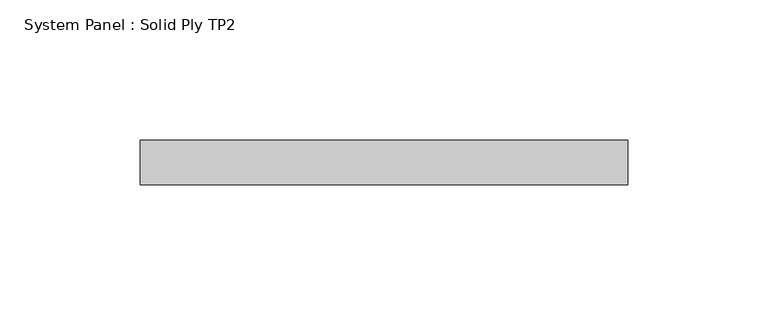
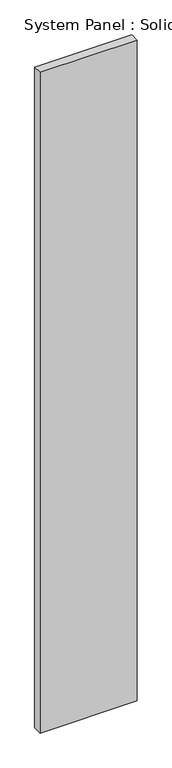
"""IFC4 building model written with IfcOpenShell, lengths in millimetres: plate geometry, System Panel : Solid Ply TP2."""

import ifcopenshell
import ifcopenshell.guid

model = None  # the IFC model being written
_history = None  # IfcOwnerHistory: only IFC2X3 demands one
_inside = {}  # id of a spatial element -> (the spatial element, [elements in it])
_under = {}  # id of a project, library or spatial element -> (it, [spatial elements below it])
_declared = {}  # id of a project -> (the project, [libraries it declares])
_typed = {}  # id of a type object -> (the type object, [elements of that type])
_made_of = {}  # id of a material, layer set ... -> (it, [elements and type objects made of it])


def new_model(schema):
    """Start an empty IFC model of exactly this schema.

    Asked for "IFC4X3", IfcOpenShell would pick the latest addendum, in which some entities
    have other attributes; the version numbers below select the first issue.
    IFC2X3 requires an IfcOwnerHistory on every rooted entity: one is made here for all.
    """
    global model, _history
    if schema == "IFC4X3":
        model = ifcopenshell.file(schema_version=(4, 3, 0, 0))
    else:
        model = ifcopenshell.file(schema=schema)
    _inside.clear()
    _under.clear()
    _declared.clear()
    _typed.clear()
    _made_of.clear()
    _history = None
    if model.schema == "IFC2X3":
        org = make("IfcOrganization", Name="unknown")
        user = make(
            "IfcPersonAndOrganization",
            ThePerson=make("IfcPerson", FamilyName="unknown"),
            TheOrganization=org,
        )
        app = make(
            "IfcApplication",
            ApplicationDeveloper=org,
            Version="unknown",
            ApplicationFullName="unknown",
            ApplicationIdentifier="unknown",
        )
        _history = make(
            "IfcOwnerHistory",
            OwningUser=user,
            OwningApplication=app,
            ChangeAction="ADDED",
            CreationDate=0,
        )
    return model


def make(cls, **values):
    """One entity of the class cls with the attributes given. An attribute that is None is left unset."""
    return model.create_entity(
        cls, **{name: value for name, value in values.items() if value is not None}
    )


def rooted(cls, **values):
    """An entity with a GlobalId (a new one), such as an element, a storey or a relation."""
    return make(cls, GlobalId=ifcopenshell.guid.new(), OwnerHistory=_history, **values)


def si_unit(unit_type, name, prefix=None):
    """IfcSIUnit, for example si_unit("LENGTHUNIT", "METRE", prefix="MILLI")."""
    return make("IfcSIUnit", UnitType=unit_type, Prefix=prefix, Name=name)


def assignment(units):
    """IfcUnitAssignment: the units of a project."""
    return None if units is None else make("IfcUnitAssignment", Units=units)


def point(xyz):
    """IfcCartesianPoint."""
    return None if xyz is None else make("IfcCartesianPoint", Coordinates=xyz)


def direction(xyz):
    """IfcDirection."""
    return None if xyz is None else make("IfcDirection", DirectionRatios=xyz)


def frame(location, z_axis=None, x_axis=None):
    """IfcAxis2Placement3D, a coordinate frame: its origin and axes. An axis left out is left unset."""
    return make(
        "IfcAxis2Placement3D",
        Location=point(location),
        Axis=direction(z_axis),
        RefDirection=direction(x_axis),
    )


def origin():
    """The frame at (0, 0, 0) with its axes left unset."""
    return frame((0.0, 0.0, 0.0))


def origin_with_axes():
    """The frame at (0, 0, 0) with the z axis (0, 0, 1) and the x axis (1, 0, 0) written out."""
    return frame((0.0, 0.0, 0.0), z_axis=(0.0, 0.0, 1.0), x_axis=(1.0, 0.0, 0.0))


def place(relative_to, where):
    """IfcLocalPlacement: puts the frame where relative to a parent placement (None: the world)."""
    return make(
        "IfcLocalPlacement", PlacementRelTo=relative_to, RelativePlacement=where
    )


def context(
    kind, dimensions, precision=None, world=None, true_north=None, identifier=None
):
    """IfcGeometricRepresentationContext, for example the 3D "Model" context."""
    return make(
        "IfcGeometricRepresentationContext",
        ContextIdentifier=identifier,
        ContextType=kind,
        CoordinateSpaceDimension=dimensions,
        Precision=precision,
        WorldCoordinateSystem=world,
        TrueNorth=true_north,
    )


def project(units=None, contexts=None):
    """IfcProject with its units and contexts."""
    return rooted(
        "IfcProject",
        Name="project",
        RepresentationContexts=contexts,
        UnitsInContext=assignment(units),
    )


def spatial(cls, under=None, at=None, **own):
    """A site, building, storey or space (cls), placed at a placement, below another one or the project."""
    s = rooted(cls, ObjectPlacement=at, **own)
    if under is not None:
        _under.setdefault(under.id(), (under, []))[1].append(s)
    return s


def polyline(points):
    """IfcPolyline through the points."""
    return make("IfcPolyline", Points=[point(p) for p in points])


def outline(outer, holes=None, kind="AREA"):
    """IfcArbitraryClosedProfileDef: a profile drawn as a closed curve; with holes, ...WithVoids."""
    if holes is None:
        return make("IfcArbitraryClosedProfileDef", ProfileType=kind, OuterCurve=outer)
    return make(
        "IfcArbitraryProfileDefWithVoids",
        ProfileType=kind,
        OuterCurve=outer,
        InnerCurves=holes,
    )


def extrude(swept, where, along, depth):
    """IfcExtrudedAreaSolid: the profile swept, set in the frame where, extruded along a direction by depth."""
    return make(
        "IfcExtrudedAreaSolid",
        SweptArea=swept,
        Position=where,
        ExtrudedDirection=direction(along),
        Depth=depth,
    )


def shape(context_of_items, identifier, shape_type, items):
    """IfcShapeRepresentation: the items that make up one representation, for example the "Body"."""
    return make(
        "IfcShapeRepresentation",
        ContextOfItems=context_of_items,
        RepresentationIdentifier=identifier,
        RepresentationType=shape_type,
        Items=items,
    )


def source(mapping_origin, context_of_items, identifier, shape_type, items):
    """IfcRepresentationMap: a shape defined once, which mapped items show again and again."""
    return make(
        "IfcRepresentationMap",
        MappingOrigin=mapping_origin,
        MappedRepresentation=shape(context_of_items, identifier, shape_type, items),
    )


def transform(
    local_origin,
    x_axis=None,
    y_axis=None,
    z_axis=None,
    scale=None,
    scale2=None,
    scale3=None,
    uniform=True,
):
    """IfcCartesianTransformationOperator3D, or its non-uniform kind. x_axis, y_axis, z_axis: its Axis1, 2, 3."""
    if uniform:
        return make(
            "IfcCartesianTransformationOperator3D",
            Axis1=direction(x_axis),
            Axis2=direction(y_axis),
            LocalOrigin=point(local_origin),
            Scale=scale,
            Axis3=direction(z_axis),
        )
    return make(
        "IfcCartesianTransformationOperator3DnonUniform",
        Axis1=direction(x_axis),
        Axis2=direction(y_axis),
        LocalOrigin=point(local_origin),
        Scale=scale,
        Axis3=direction(z_axis),
        Scale2=scale2,
        Scale3=scale3,
    )


def mapped(mapping_source, mapping_target):
    """IfcMappedItem: shows the shape of a source again, moved by a transform."""
    return make(
        "IfcMappedItem", MappingSource=mapping_source, MappingTarget=mapping_target
    )


def made_of(thing, what):
    """Note that an element or type object is made of a material, layer set ...; save() writes the relation."""
    if what is not None:
        _made_of.setdefault(what.id(), (what, []))[1].append(thing)
    return thing


def element(
    cls,
    number,
    at=None,
    inside=None,
    cuts=None,
    type_object=None,
    material=None,
    context=None,
    identifier="Body",
    shape_type=None,
    held_by="IfcProductDefinitionShape",
    body=None,
    shapes=None,
    **own,
):
    """One element of the class cls, such as IfcWall. Its Tag is "e" and its number.

    at: its placement. inside: the storey or other place that contains it. cuts: it is an
    opening in that element (IfcRelVoidsElement). A single representation is given by context,
    identifier, shape_type and body (its items); several are given by shapes. held_by: the class
    of the entity that holds the representations. save() writes the other relations.
    """
    e = rooted(cls, Tag="e%d" % number, ObjectPlacement=at, **own)
    if body is not None:
        shapes = [shape(context, identifier, shape_type, body)]
    if shapes is not None:
        e.Representation = make(held_by, Representations=shapes)
    if inside is not None:
        _inside.setdefault(inside.id(), (inside, []))[1].append(e)
    if cuts is not None:
        rooted(
            "IfcRelVoidsElement", RelatingBuildingElement=cuts, RelatedOpeningElement=e
        )
    if type_object is not None:
        _typed.setdefault(type_object.id(), (type_object, []))[1].append(e)
    return made_of(e, material)


def aggregate(whole, parts):
    """IfcRelAggregates: a whole, such as a stair, and the parts it consists of."""
    return rooted("IfcRelAggregates", RelatingObject=whole, RelatedObjects=parts)


def save(model, path):
    """Write the relations noted so far, then the file.

    IfcRelAggregates (storeys below a building ...), IfcRelContainedInSpatialStructure (elements
    in a storey), IfcRelDefinesByType, IfcRelAssociatesMaterial and IfcRelDeclares: one each for
    every whole, place, type object, material and project.
    """
    for whole, parts in _under.values():
        aggregate(whole, parts)
    for where, things in _inside.values():
        rooted(
            "IfcRelContainedInSpatialStructure",
            RelatedElements=things,
            RelatingStructure=where,
        )
    for kind, things in _typed.values():
        rooted("IfcRelDefinesByType", RelatedObjects=things, RelatingType=kind)
    for what, things in _made_of.values():
        rooted("IfcRelAssociatesMaterial", RelatedObjects=things, RelatingMaterial=what)
    for by, libraries in _declared.values():
        rooted("IfcRelDeclares", RelatingContext=by, RelatedDefinitions=libraries)
    model.write(path)


def system_panel_solid_ply_tp2_9b6a1fa2(model_context):
    return source(origin(), model_context, "Body", "SweptSolid", [
        extrude(outline(polyline([(86.9948181, 7.0), (-86.9948181, 7.0), (-86.9948181, 23.0), (86.9948181, 23.0), (86.9948181, 7.0)])), origin_with_axes(), (0.0, 0.0, 1.0), 1250.0),
    ])


if __name__ == "__main__":
    model = new_model("IFC4")
    model_context = context("Model", 3, world=origin())
    ifc_project = project(units=[si_unit("LENGTHUNIT", "METRE", prefix="MILLI")], contexts=[model_context])
    site = spatial("IfcSite", under=ifc_project)
    building = spatial("IfcBuilding", under=site)
    placement = place(None, origin())
    system_panel_solid_ply_tp2_shape = system_panel_solid_ply_tp2_9b6a1fa2(model_context)
    element("IfcPlate", 1, ObjectType="System Panel : Solid Ply TP2", at=placement, inside=building, context=model_context, shape_type="MappedRepresentation", body=[
        mapped(system_panel_solid_ply_tp2_shape, transform((0.0, 0.0, 0.0), x_axis=(1.0, 0.0, 0.0), y_axis=(0.0, 1.0, 0.0), z_axis=(0.0, 0.0, 1.0))),
    ])
    save(model, "model.ifc")
